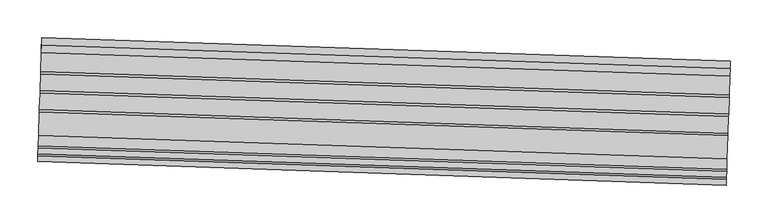
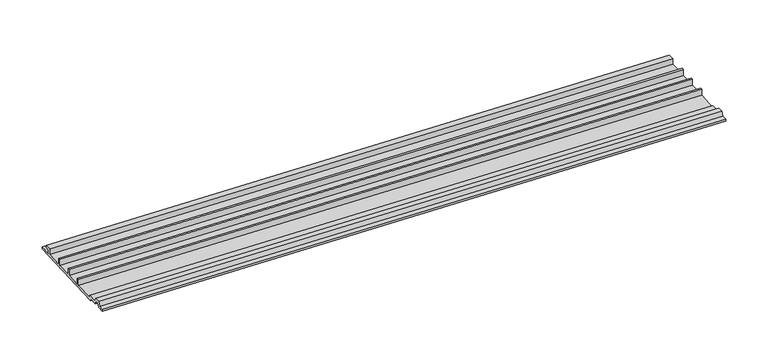
"""IFC4 building model written with IfcOpenShell, lengths in millimetres: proxy geometry."""

from ifc_helpers import new_model, si_unit, frame, origin, place, context, project, spatial, polyline, outline, extrude, source, transform, mapped, element, save


def generic_models_0601b132(model_context):
    return source(origin(), model_context, "Body", "SweptSolid", [
        extrude(outline(polyline([(0.0, 0.0), (16.66875, 0.0), (16.66875, 4.9129906), (10.3187499, 4.9129906), (10.3187499, 8.8104386), (19.8437499, 8.8104386), (19.8437499, 1e-07), (45.24375, 1e-07), (45.24375, 9.5250002), (48.4187499, 9.5250002), (48.4187499, 3e-07), (70.64375, 3e-07), (70.64375, 9.5250004), (73.8187499, 9.5250004), (73.8187499, 4e-07), (96.0437499, 4e-07), (96.0437499, 9.5250005), (99.21875, 9.5250005), (99.21875, 6e-07), (130.1749999, 6e-07), (130.1749999, 3.1750007), (144.0273018, 3.1750007), (146.8433294, 9.2139913), (154.7816704, 9.2139913), (157.597698, 3.1750008), (165.1, 3.1750008), (165.1, 8e-07), (155.5749999, 8e-07), (153.0459232, 5.4236232), (148.5790766, 5.4236232), (146.05, 6e-07), (133.3499999, 6e-07), (133.3499999, -3.175), (0.0, -3.175), (0.0, 0.0)])), frame((18226.7722729, -14416.9587431, 3036.2574341), z_axis=(-0.9994149475907916, 0.034201791357988155, 0.0), x_axis=(-0.034201791357988155, -0.9994149475907916, 0.0)), (0.0, 0.0, 1.0), 914.4),
    ])


if __name__ == "__main__":
    model = new_model("IFC4")
    model_context = context("Model", 3, world=origin())
    ifc_project = project(units=[si_unit("LENGTHUNIT", "METRE", prefix="MILLI")], contexts=[model_context])
    site = spatial("IfcSite", under=ifc_project)
    building = spatial("IfcBuilding", under=site)
    placement = place(None, origin())
    generic_models_shape = generic_models_0601b132(model_context)
    element("IfcBuildingElementProxy", 1, Name="Generic Models", at=placement, inside=building, context=model_context, shape_type="MappedRepresentation", body=[
        mapped(generic_models_shape, transform((0.0, 0.0, 0.0), x_axis=(1.0, 0.0, 0.0), y_axis=(0.0, 1.0, 0.0), z_axis=(0.0, 0.0, 1.0))),
    ])
    save(model, "model.ifc")
